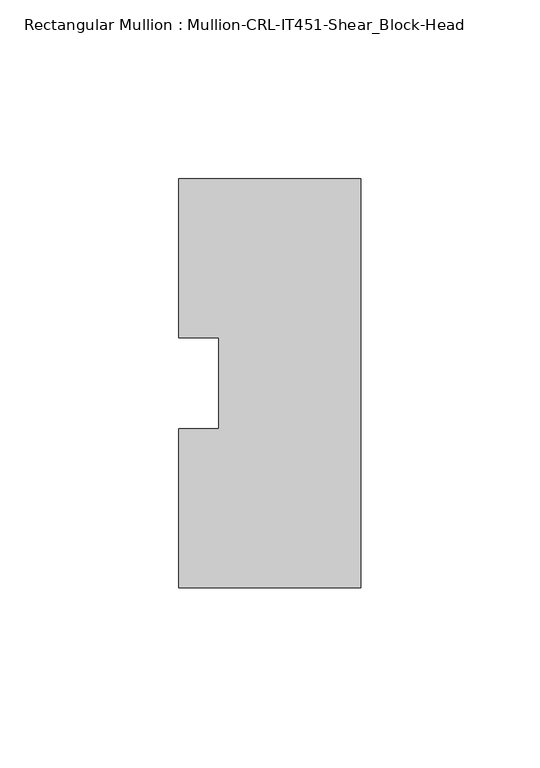
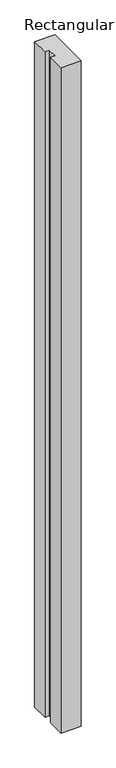
"""IFC4 building model written with IfcOpenShell, lengths in millimetres: member geometry, Rectangular Mullion : Mullion-CRL-IT451-Shear_Block-Head."""

from ifc_helpers import new_model, si_unit, frame, origin, place, context, project, spatial, polyline, outline, extrude, source, transform, mapped, element, save


def rectangular_mullion_mullion_crl_it451_shear_block_head_9d6e7779(model_context):
    return source(origin(), model_context, "Body", "SweptSolid", [
        extrude(outline(polyline([(0.0, -57.1909821), (-50.8, -57.1909821), (-50.8, -12.7), (-39.6875, -12.7), (-39.6875, 12.7), (-50.8, 12.7), (-50.8, 57.1090179), (0.0, 57.1090179), (0.0, -57.1909821)])), frame((0.0, 0.0, -1778.0), z_axis=(0.0, 0.0, 1.0), x_axis=(1.0, 0.0, 0.0)), (0.0, 0.0, 1.0), 1778.0),
    ])


if __name__ == "__main__":
    model = new_model("IFC4")
    model_context = context("Model", 3, world=origin())
    ifc_project = project(units=[si_unit("LENGTHUNIT", "METRE", prefix="MILLI")], contexts=[model_context])
    site = spatial("IfcSite", under=ifc_project)
    building = spatial("IfcBuilding", under=site)
    placement = place(None, origin())
    rectangular_mullion_mullion_crl_it451_shear_block_head_shape = rectangular_mullion_mullion_crl_it451_shear_block_head_9d6e7779(model_context)
    element("IfcMember", 1, ObjectType="Rectangular Mullion : Mullion-CRL-IT451-Shear_Block-Head", at=placement, inside=building, context=model_context, shape_type="MappedRepresentation", body=[
        mapped(rectangular_mullion_mullion_crl_it451_shear_block_head_shape, transform((0.0, 0.0, 0.0), x_axis=(1.0, 0.0, 0.0), y_axis=(0.0, 1.0, 0.0), z_axis=(0.0, 0.0, 1.0))),
    ])
    save(model, "model.ifc")
